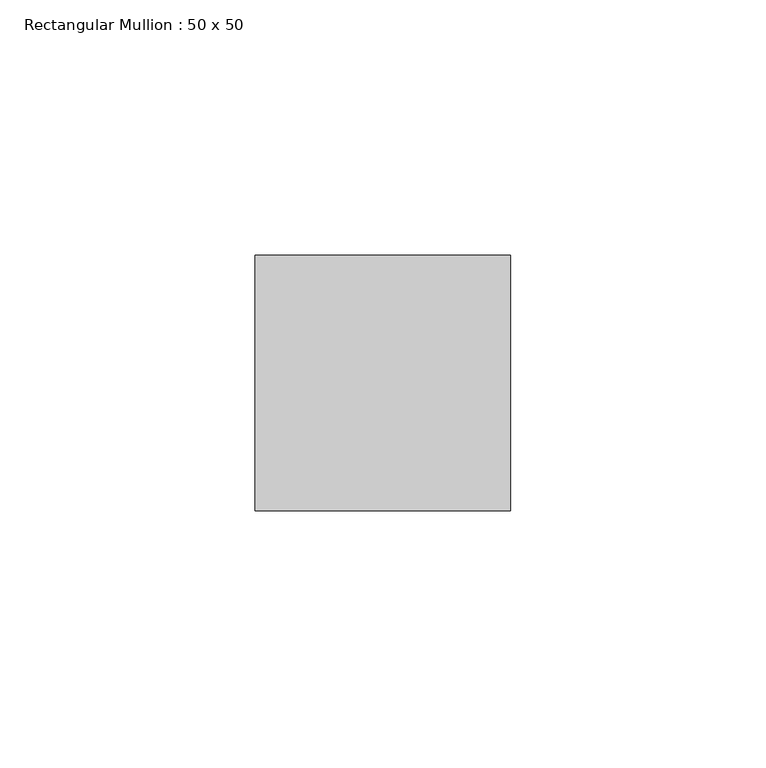
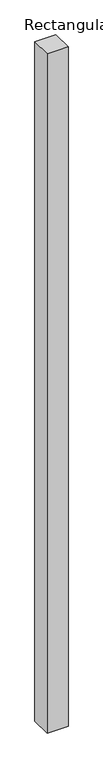
"""IFC4 building model written with IfcOpenShell, lengths in millimetres: member geometry, Rectangular Mullion : 50 x 50."""

from ifc_helpers import new_model, si_unit, frame, origin, place, context, project, spatial, polyline, outline, extrude, source, transform, mapped, element, save


def rectangular_mullion_50_x_50_4c237d26(model_context):
    return source(origin(), model_context, "Body", "SweptSolid", [
        extrude(outline(polyline([(25.0, 25.0), (25.0, -25.0), (-25.0, -25.0), (-25.0, 25.0), (25.0, 25.0)])), frame((0.0, 0.0, -1710.1550796), z_axis=(0.0, 0.0, 1.0), x_axis=(1.0, 0.0, 0.0)), (0.0, 0.0, 1.0), 1710.1550796),
    ])


if __name__ == "__main__":
    model = new_model("IFC4")
    model_context = context("Model", 3, world=origin())
    ifc_project = project(units=[si_unit("LENGTHUNIT", "METRE", prefix="MILLI")], contexts=[model_context])
    site = spatial("IfcSite", under=ifc_project)
    building = spatial("IfcBuilding", under=site)
    placement = place(None, origin())
    rectangular_mullion_50_x_50_shape = rectangular_mullion_50_x_50_4c237d26(model_context)
    element("IfcMember", 1, ObjectType="Rectangular Mullion : 50 x 50", at=placement, inside=building, context=model_context, shape_type="MappedRepresentation", body=[
        mapped(rectangular_mullion_50_x_50_shape, transform((0.0, 0.0, 0.0), x_axis=(1.0, 0.0, 0.0), y_axis=(0.0, 1.0, 0.0), z_axis=(0.0, 0.0, 1.0))),
    ])
    save(model, "model.ifc")
